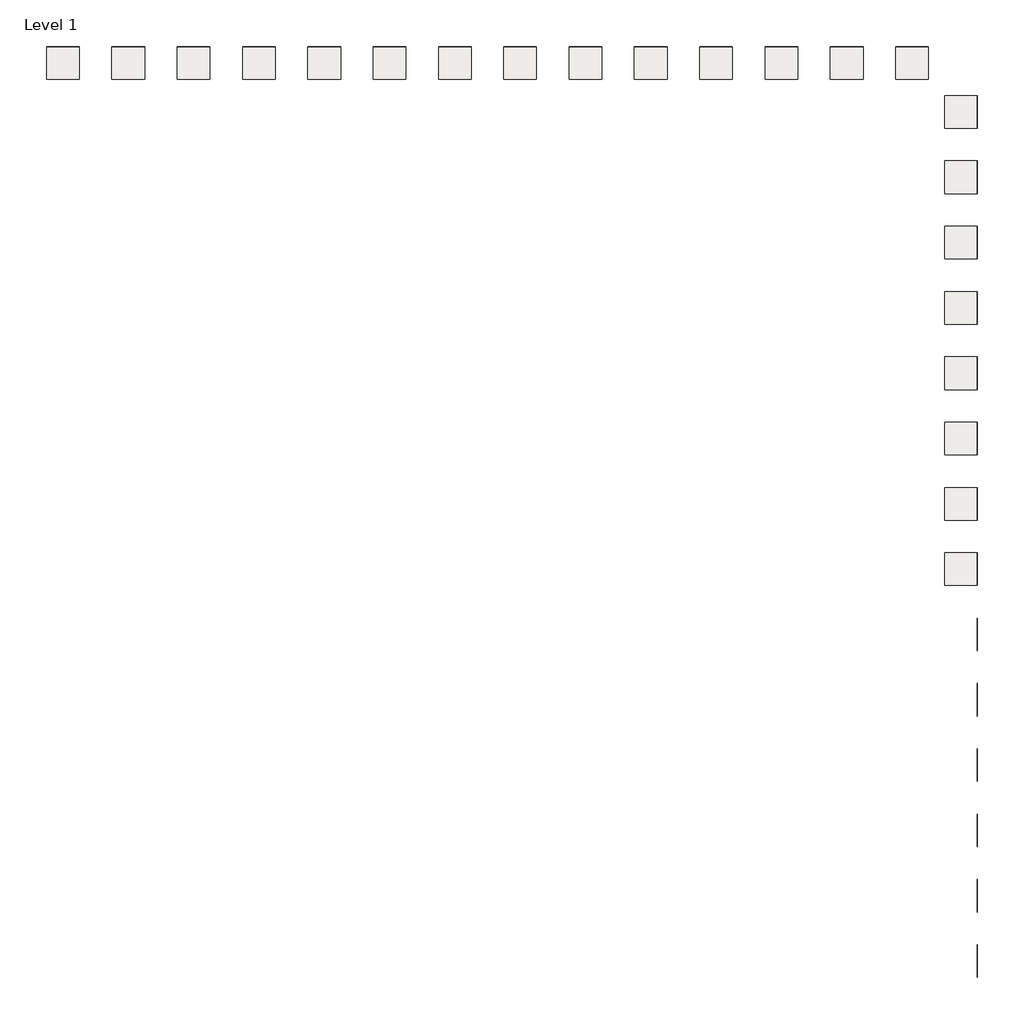
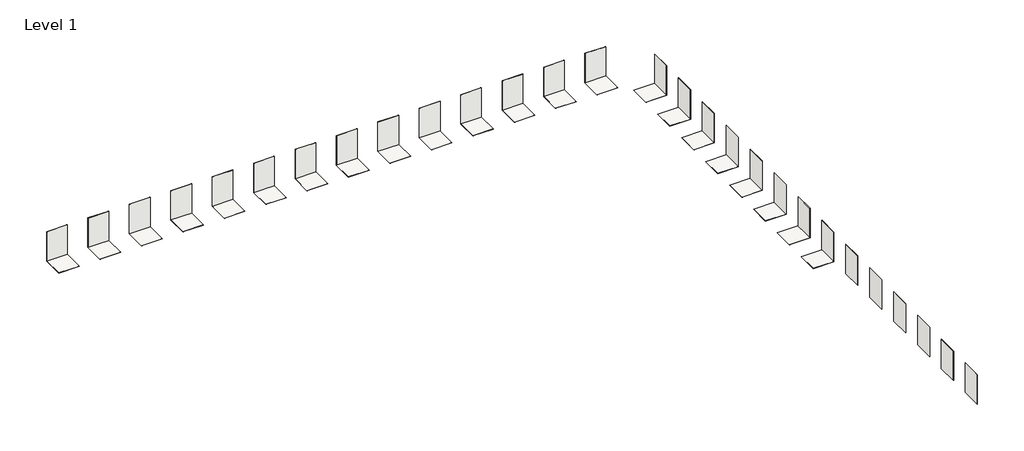
# One storey: 50 coverings.
"""IFC4 building model written with IfcOpenShell, lengths in millimetres."""

from ifc_helpers import new_model, si_unit, frame, origin, origin_with_axes, place, context, project, spatial, polyline, outline, extrude, element, save

model = new_model("IFC4")

# Units and contexts
model_context = context("Model", 3, world=origin())
ifc_project = project(units=[si_unit("LENGTHUNIT", "METRE", prefix="MILLI")], contexts=[model_context])

# Site, building, storey
site = spatial("IfcSite", under=ifc_project)
building = spatial("IfcBuilding", under=site)
storey = spatial("IfcBuildingStorey", under=building, Name="Level 1", Elevation=0.0)

# Coverings
placement = place(None, origin())
element("IfcCovering", 1, at=placement, inside=storey, context=model_context, shape_type="SweptSolid", body=[
    extrude(outline(polyline([(3527.0774266, -4501.9826748), (1527.0774266, -4501.9826748), (1527.0774266, -2501.9826748), (3527.0774266, -2501.9826748), (3527.0774266, -4501.9826748)])), frame((0.0, 0.0, -10.8), z_axis=(0.0, 0.0, 1.0), x_axis=(1.0, 0.0, 0.0)), (0.0, 0.0, 1.0), 10.8),
])
element("IfcCovering", 2, at=placement, inside=storey, context=model_context, shape_type="SweptSolid", body=[
    extrude(outline(polyline([(3516.2774266, -4501.9826748), (3516.2774266, -2501.9826748), (3527.0774266, -2501.9826748), (3527.0774266, -4501.9826748), (3516.2774266, -4501.9826748)])), origin_with_axes(), (0.0, 0.0, 1.0), 3000.0),
])
element("IfcCovering", 3, at=placement, inside=storey, context=model_context, shape_type="SweptSolid", body=[
    extrude(outline(polyline([(3527.0774266, -501.9826748), (1527.0774266, -501.9826748), (1527.0774266, 1498.0173252), (3527.0774266, 1498.0173252), (3527.0774266, -501.9826748)])), frame((0.0, 0.0, -10.8), z_axis=(0.0, 0.0, 1.0), x_axis=(1.0, 0.0, 0.0)), (0.0, 0.0, 1.0), 10.8),
])
element("IfcCovering", 4, at=placement, inside=storey, context=model_context, shape_type="SweptSolid", body=[
    extrude(outline(polyline([(3516.2774266, -501.9826748), (3516.2774266, 1498.0173252), (3527.0774266, 1498.0173252), (3527.0774266, -501.9826748), (3516.2774266, -501.9826748)])), origin_with_axes(), (0.0, 0.0, 1.0), 3000.0),
])
element("IfcCovering", 5, at=placement, inside=storey, context=model_context, shape_type="SweptSolid", body=[
    extrude(outline(polyline([(3527.0774266, 3498.0173252), (1527.0774266, 3498.0173252), (1527.0774266, 5498.0173252), (3527.0774266, 5498.0173252), (3527.0774266, 3498.0173252)])), frame((0.0, 0.0, -10.8), z_axis=(0.0, 0.0, 1.0), x_axis=(1.0, 0.0, 0.0)), (0.0, 0.0, 1.0), 10.8),
])
element("IfcCovering", 6, at=placement, inside=storey, context=model_context, shape_type="SweptSolid", body=[
    extrude(outline(polyline([(3516.2774266, 3498.0173252), (3516.2774266, 5498.0173252), (3527.0774266, 5498.0173252), (3527.0774266, 3498.0173252), (3516.2774266, 3498.0173252)])), origin_with_axes(), (0.0, 0.0, 1.0), 3000.0),
])
element("IfcCovering", 7, at=placement, inside=storey, context=model_context, shape_type="SweptSolid", body=[
    extrude(outline(polyline([(3527.0774266, -8501.9826748), (1527.0774266, -8501.9826748), (1527.0774266, -6501.9826748), (3527.0774266, -6501.9826748), (3527.0774266, -8501.9826748)])), frame((0.0, 0.0, -10.8), z_axis=(0.0, 0.0, 1.0), x_axis=(1.0, 0.0, 0.0)), (0.0, 0.0, 1.0), 10.8),
])
element("IfcCovering", 8, at=placement, inside=storey, context=model_context, shape_type="SweptSolid", body=[
    extrude(outline(polyline([(3516.2774266, -8501.9826748), (3516.2774266, -6501.9826748), (3527.0774266, -6501.9826748), (3527.0774266, -8501.9826748), (3516.2774266, -8501.9826748)])), origin_with_axes(), (0.0, 0.0, 1.0), 3000.0),
])
element("IfcCovering", 9, at=placement, inside=storey, context=model_context, shape_type="SweptSolid", body=[
    extrude(outline(polyline([(3527.0774266, -12501.9826748), (1527.0774266, -12501.9826748), (1527.0774266, -10501.9826748), (3527.0774266, -10501.9826748), (3527.0774266, -12501.9826748)])), frame((0.0, 0.0, -10.8), z_axis=(0.0, 0.0, 1.0), x_axis=(1.0, 0.0, 0.0)), (0.0, 0.0, 1.0), 10.8),
])
element("IfcCovering", 10, at=placement, inside=storey, context=model_context, shape_type="SweptSolid", body=[
    extrude(outline(polyline([(3516.2774266, -12501.9826748), (3516.2774266, -10501.9826748), (3527.0774266, -10501.9826748), (3527.0774266, -12501.9826748), (3516.2774266, -12501.9826748)])), origin_with_axes(), (0.0, 0.0, 1.0), 3000.0),
])
element("IfcCovering", 11, at=placement, inside=storey, context=model_context, shape_type="SweptSolid", body=[
    extrude(outline(polyline([(3527.0774266, -16501.9826748), (1527.0774266, -16501.9826748), (1527.0774266, -14501.9826748), (3527.0774266, -14501.9826748), (3527.0774266, -16501.9826748)])), frame((0.0, 0.0, -10.8), z_axis=(0.0, 0.0, 1.0), x_axis=(1.0, 0.0, 0.0)), (0.0, 0.0, 1.0), 10.8),
])
element("IfcCovering", 12, at=placement, inside=storey, context=model_context, shape_type="SweptSolid", body=[
    extrude(outline(polyline([(3516.2774266, -16501.9826748), (3516.2774266, -14501.9826748), (3527.0774266, -14501.9826748), (3527.0774266, -16501.9826748), (3516.2774266, -16501.9826748)])), origin_with_axes(), (0.0, 0.0, 1.0), 3000.0),
])
element("IfcCovering", 13, at=placement, inside=storey, context=model_context, shape_type="SweptSolid", body=[
    extrude(outline(polyline([(527.0774266, 8498.0173252), (527.0774266, 6498.0173252), (-1472.9225734, 6498.0173252), (-1472.9225734, 8498.0173252), (527.0774266, 8498.0173252)])), frame((0.0, 0.0, -10.8), z_axis=(0.0, 0.0, 1.0), x_axis=(1.0, 0.0, 0.0)), (0.0, 0.0, 1.0), 10.8),
])
element("IfcCovering", 14, at=placement, inside=storey, context=model_context, shape_type="SweptSolid", body=[
    extrude(outline(polyline([(527.0774266, 8487.2173252), (-1472.9225734, 8487.2173252), (-1472.9225734, 8498.0173252), (527.0774266, 8498.0173252), (527.0774266, 8487.2173252)])), origin_with_axes(), (0.0, 0.0, 1.0), 3000.0),
])
element("IfcCovering", 15, at=placement, inside=storey, context=model_context, shape_type="SweptSolid", body=[
    extrude(outline(polyline([(-3472.9225734, 8487.2173252), (-5472.9225734, 8487.2173252), (-5472.9225734, 8498.0173252), (-3472.9225734, 8498.0173252), (-3472.9225734, 8487.2173252)])), origin_with_axes(), (0.0, 0.0, 1.0), 3000.0),
])
element("IfcCovering", 16, at=placement, inside=storey, context=model_context, shape_type="SweptSolid", body=[
    extrude(outline(polyline([(-7472.9225734, 8487.2173252), (-9472.9225734, 8487.2173252), (-9472.9225734, 8498.0173252), (-7472.9225734, 8498.0173252), (-7472.9225734, 8487.2173252)])), origin_with_axes(), (0.0, 0.0, 1.0), 3000.0),
])
element("IfcCovering", 17, at=placement, inside=storey, context=model_context, shape_type="SweptSolid", body=[
    extrude(outline(polyline([(-11472.9225734, 8498.0173252), (-11472.9225734, 6498.0173252), (-13472.9225734, 6498.0173252), (-13472.9225734, 8498.0173252), (-11472.9225734, 8498.0173252)])), frame((0.0, 0.0, -10.8), z_axis=(0.0, 0.0, 1.0), x_axis=(1.0, 0.0, 0.0)), (0.0, 0.0, 1.0), 10.8),
])
element("IfcCovering", 18, at=placement, inside=storey, context=model_context, shape_type="SweptSolid", body=[
    extrude(outline(polyline([(-11472.9225734, 8487.2173252), (-13472.9225734, 8487.2173252), (-13472.9225734, 8498.0173252), (-11472.9225734, 8498.0173252), (-11472.9225734, 8487.2173252)])), origin_with_axes(), (0.0, 0.0, 1.0), 3000.0),
])
element("IfcCovering", 19, at=placement, inside=storey, context=model_context, shape_type="SweptSolid", body=[
    extrude(outline(polyline([(-15472.9225734, 8498.0173252), (-15472.9225734, 6498.0173252), (-17472.9225734, 6498.0173252), (-17472.9225734, 8498.0173252), (-15472.9225734, 8498.0173252)])), frame((0.0, 0.0, -10.8), z_axis=(0.0, 0.0, 1.0), x_axis=(1.0, 0.0, 0.0)), (0.0, 0.0, 1.0), 10.8),
])
element("IfcCovering", 20, at=placement, inside=storey, context=model_context, shape_type="SweptSolid", body=[
    extrude(outline(polyline([(-15472.9225734, 8487.2173252), (-17472.9225734, 8487.2173252), (-17472.9225734, 8498.0173252), (-15472.9225734, 8498.0173252), (-15472.9225734, 8487.2173252)])), origin_with_axes(), (0.0, 0.0, 1.0), 3000.0),
])
element("IfcCovering", 21, at=placement, inside=storey, context=model_context, shape_type="SweptSolid", body=[
    extrude(outline(polyline([(-19472.9225734, 8498.0173252), (-19472.9225734, 6498.0173252), (-21472.9225734, 6498.0173252), (-21472.9225734, 8498.0173252), (-19472.9225734, 8498.0173252)])), frame((0.0, 0.0, -10.8), z_axis=(0.0, 0.0, 1.0), x_axis=(1.0, 0.0, 0.0)), (0.0, 0.0, 1.0), 10.8),
])
element("IfcCovering", 22, at=placement, inside=storey, context=model_context, shape_type="SweptSolid", body=[
    extrude(outline(polyline([(-19472.9225734, 8487.2173252), (-21472.9225734, 8487.2173252), (-21472.9225734, 8498.0173252), (-19472.9225734, 8498.0173252), (-19472.9225734, 8487.2173252)])), origin_with_axes(), (0.0, 0.0, 1.0), 3000.0),
])
element("IfcCovering", 23, at=placement, inside=storey, context=model_context, shape_type="SweptSolid", body=[
    extrude(outline(polyline([(-7472.9225734, 8498.0173252), (-7472.9225734, 6498.0173252), (-9472.9225734, 6498.0173252), (-9472.9225734, 8498.0173252), (-7472.9225734, 8498.0173252)])), frame((0.0, 0.0, -10.8), z_axis=(0.0, 0.0, 1.0), x_axis=(1.0, 0.0, 0.0)), (0.0, 0.0, 1.0), 10.8),
])
element("IfcCovering", 24, at=placement, inside=storey, context=model_context, shape_type="SweptSolid", body=[
    extrude(outline(polyline([(-3472.9225734, 8498.0173252), (-3472.9225734, 6498.0173252), (-5472.9225734, 6498.0173252), (-5472.9225734, 8498.0173252), (-3472.9225734, 8498.0173252)])), frame((0.0, 0.0, -10.8), z_axis=(0.0, 0.0, 1.0), x_axis=(1.0, 0.0, 0.0)), (0.0, 0.0, 1.0), 10.8),
])
element("IfcCovering", 25, at=placement, inside=storey, context=model_context, shape_type="SweptSolid", body=[
    extrude(outline(polyline([(-23472.9225734, 8498.0173252), (-23472.9225734, 6498.0173252), (-25472.9225734, 6498.0173252), (-25472.9225734, 8498.0173252), (-23472.9225734, 8498.0173252)])), frame((0.0, 0.0, -10.8), z_axis=(0.0, 0.0, 1.0), x_axis=(1.0, 0.0, 0.0)), (0.0, 0.0, 1.0), 10.8),
])
element("IfcCovering", 26, at=placement, inside=storey, context=model_context, shape_type="SweptSolid", body=[
    extrude(outline(polyline([(-23472.9225734, 8487.2173252), (-25472.9225734, 8487.2173252), (-25472.9225734, 8498.0173252), (-23472.9225734, 8498.0173252), (-23472.9225734, 8487.2173252)])), origin_with_axes(), (0.0, 0.0, 1.0), 3000.0),
])
element("IfcCovering", 27, at=placement, inside=storey, context=model_context, shape_type="SweptSolid", body=[
    extrude(outline(polyline([(-27472.9225734, 8498.0173252), (-27472.9225734, 6498.0173252), (-29472.9225734, 6498.0173252), (-29472.9225734, 8498.0173252), (-27472.9225734, 8498.0173252)])), frame((0.0, 0.0, -10.8), z_axis=(0.0, 0.0, 1.0), x_axis=(1.0, 0.0, 0.0)), (0.0, 0.0, 1.0), 10.8),
])
element("IfcCovering", 28, at=placement, inside=storey, context=model_context, shape_type="SweptSolid", body=[
    extrude(outline(polyline([(-27472.9225734, 8487.2173252), (-29472.9225734, 8487.2173252), (-29472.9225734, 8498.0173252), (-27472.9225734, 8498.0173252), (-27472.9225734, 8487.2173252)])), origin_with_axes(), (0.0, 0.0, 1.0), 3000.0),
])
element("IfcCovering", 29, at=placement, inside=storey, context=model_context, shape_type="SweptSolid", body=[
    extrude(outline(polyline([(3527.0774266, -20501.9826748), (1527.0774266, -20501.9826748), (1527.0774266, -18501.9826748), (3527.0774266, -18501.9826748), (3527.0774266, -20501.9826748)])), frame((0.0, 0.0, -10.8), z_axis=(0.0, 0.0, 1.0), x_axis=(1.0, 0.0, 0.0)), (0.0, 0.0, 1.0), 10.8),
])
element("IfcCovering", 30, at=placement, inside=storey, context=model_context, shape_type="SweptSolid", body=[
    extrude(outline(polyline([(3516.2774266, -20501.9826748), (3516.2774266, -18501.9826748), (3527.0774266, -18501.9826748), (3527.0774266, -20501.9826748), (3516.2774266, -20501.9826748)])), origin_with_axes(), (0.0, 0.0, 1.0), 3000.0),
])
element("IfcCovering", 31, at=placement, inside=storey, context=model_context, shape_type="SweptSolid", body=[
    extrude(outline(polyline([(-31472.9225734, 8498.0173252), (-31472.9225734, 6498.0173252), (-33472.9225734, 6498.0173252), (-33472.9225734, 8498.0173252), (-31472.9225734, 8498.0173252)])), frame((0.0, 0.0, -10.8), z_axis=(0.0, 0.0, 1.0), x_axis=(1.0, 0.0, 0.0)), (0.0, 0.0, 1.0), 10.8),
])
element("IfcCovering", 32, at=placement, inside=storey, context=model_context, shape_type="SweptSolid", body=[
    extrude(outline(polyline([(-31472.9225734, 8487.2173252), (-33472.9225734, 8487.2173252), (-33472.9225734, 8498.0173252), (-31472.9225734, 8498.0173252), (-31472.9225734, 8487.2173252)])), origin_with_axes(), (0.0, 0.0, 1.0), 3000.0),
])
element("IfcCovering", 33, at=placement, inside=storey, context=model_context, shape_type="SweptSolid", body=[
    extrude(outline(polyline([(-35472.9225734, 8498.0173252), (-35472.9225734, 6498.0173252), (-37472.9225734, 6498.0173252), (-37472.9225734, 8498.0173252), (-35472.9225734, 8498.0173252)])), frame((0.0, 0.0, -10.8), z_axis=(0.0, 0.0, 1.0), x_axis=(1.0, 0.0, 0.0)), (0.0, 0.0, 1.0), 10.8),
])
element("IfcCovering", 34, at=placement, inside=storey, context=model_context, shape_type="SweptSolid", body=[
    extrude(outline(polyline([(-35472.9225734, 8487.2173252), (-37472.9225734, 8487.2173252), (-37472.9225734, 8498.0173252), (-35472.9225734, 8498.0173252), (-35472.9225734, 8487.2173252)])), origin_with_axes(), (0.0, 0.0, 1.0), 3000.0),
])
element("IfcCovering", 35, at=placement, inside=storey, context=model_context, shape_type="SweptSolid", body=[
    extrude(outline(polyline([(-39472.9225734, 8498.0173252), (-39472.9225734, 6498.0173252), (-41472.9225734, 6498.0173252), (-41472.9225734, 8498.0173252), (-39472.9225734, 8498.0173252)])), frame((0.0, 0.0, -10.8), z_axis=(0.0, 0.0, 1.0), x_axis=(1.0, 0.0, 0.0)), (0.0, 0.0, 1.0), 10.8),
])
element("IfcCovering", 36, at=placement, inside=storey, context=model_context, shape_type="SweptSolid", body=[
    extrude(outline(polyline([(-39472.9225734, 8487.2173252), (-41472.9225734, 8487.2173252), (-41472.9225734, 8498.0173252), (-39472.9225734, 8498.0173252), (-39472.9225734, 8487.2173252)])), origin_with_axes(), (0.0, 0.0, 1.0), 3000.0),
])
element("IfcCovering", 37, at=placement, inside=storey, context=model_context, shape_type="SweptSolid", body=[
    extrude(outline(polyline([(-43472.9225734, 8498.0173252), (-43472.9225734, 6498.0173252), (-45472.9225734, 6498.0173252), (-45472.9225734, 8498.0173252), (-43472.9225734, 8498.0173252)])), frame((0.0, 0.0, -10.8), z_axis=(0.0, 0.0, 1.0), x_axis=(1.0, 0.0, 0.0)), (0.0, 0.0, 1.0), 10.8),
])
element("IfcCovering", 38, at=placement, inside=storey, context=model_context, shape_type="SweptSolid", body=[
    extrude(outline(polyline([(-43472.9225734, 8487.2173252), (-45472.9225734, 8487.2173252), (-45472.9225734, 8498.0173252), (-43472.9225734, 8498.0173252), (-43472.9225734, 8487.2173252)])), origin_with_axes(), (0.0, 0.0, 1.0), 3000.0),
])
element("IfcCovering", 39, at=placement, inside=storey, context=model_context, shape_type="SweptSolid", body=[
    extrude(outline(polyline([(-47472.9225734, 8498.0173252), (-47472.9225734, 6498.0173252), (-49472.9225734, 6498.0173252), (-49472.9225734, 8498.0173252), (-47472.9225734, 8498.0173252)])), frame((0.0, 0.0, -10.8), z_axis=(0.0, 0.0, 1.0), x_axis=(1.0, 0.0, 0.0)), (0.0, 0.0, 1.0), 10.8),
])
element("IfcCovering", 40, at=placement, inside=storey, context=model_context, shape_type="SweptSolid", body=[
    extrude(outline(polyline([(-47472.9225734, 8487.2173252), (-49472.9225734, 8487.2173252), (-49472.9225734, 8498.0173252), (-47472.9225734, 8498.0173252), (-47472.9225734, 8487.2173252)])), origin_with_axes(), (0.0, 0.0, 1.0), 3000.0),
])
element("IfcCovering", 41, at=placement, inside=storey, context=model_context, shape_type="SweptSolid", body=[
    extrude(outline(polyline([(-51472.9225734, 8498.0173252), (-51472.9225734, 6498.0173252), (-53472.9225734, 6498.0173252), (-53472.9225734, 8498.0173252), (-51472.9225734, 8498.0173252)])), frame((0.0, 0.0, -10.8), z_axis=(0.0, 0.0, 1.0), x_axis=(1.0, 0.0, 0.0)), (0.0, 0.0, 1.0), 10.8),
])
element("IfcCovering", 42, at=placement, inside=storey, context=model_context, shape_type="SweptSolid", body=[
    extrude(outline(polyline([(-51472.9225734, 8487.2173252), (-53472.9225734, 8487.2173252), (-53472.9225734, 8498.0173252), (-51472.9225734, 8498.0173252), (-51472.9225734, 8487.2173252)])), origin_with_axes(), (0.0, 0.0, 1.0), 3000.0),
])
element("IfcCovering", 43, at=placement, inside=storey, context=model_context, shape_type="SweptSolid", body=[
    extrude(outline(polyline([(3527.0774266, -24501.9826748), (1527.0774266, -24501.9826748), (1527.0774266, -22501.9826748), (3527.0774266, -22501.9826748), (3527.0774266, -24501.9826748)])), frame((0.0, 0.0, -11.0), z_axis=(0.0, 0.0, 1.0), x_axis=(1.0, 0.0, 0.0)), (0.0, 0.0, 1.0), 11.0),
])
element("IfcCovering", 44, at=placement, inside=storey, context=model_context, shape_type="SweptSolid", body=[
    extrude(outline(polyline([(3516.0774266, -24501.9826748), (3516.0774266, -22501.9826748), (3527.0774266, -22501.9826748), (3527.0774266, -24501.9826748), (3516.0774266, -24501.9826748)])), origin_with_axes(), (0.0, 0.0, 1.0), 3000.0),
])
element("IfcCovering", 45, at=placement, inside=storey, context=model_context, shape_type="SweptSolid", body=[
    extrude(outline(polyline([(3516.0774266, -28501.9826748), (3516.0774266, -26501.9826748), (3527.0774266, -26501.9826748), (3527.0774266, -28501.9826748), (3516.0774266, -28501.9826748)])), origin_with_axes(), (0.0, 0.0, 1.0), 3000.0),
])
element("IfcCovering", 46, at=placement, inside=storey, context=model_context, shape_type="SweptSolid", body=[
    extrude(outline(polyline([(3516.0774266, -32501.9826748), (3516.0774266, -30501.9826748), (3527.0774266, -30501.9826748), (3527.0774266, -32501.9826748), (3516.0774266, -32501.9826748)])), origin_with_axes(), (0.0, 0.0, 1.0), 3000.0),
])
element("IfcCovering", 47, at=placement, inside=storey, context=model_context, shape_type="SweptSolid", body=[
    extrude(outline(polyline([(3516.0774266, -36501.9826748), (3516.0774266, -34501.9826748), (3527.0774266, -34501.9826748), (3527.0774266, -36501.9826748), (3516.0774266, -36501.9826748)])), origin_with_axes(), (0.0, 0.0, 1.0), 3000.0),
])
element("IfcCovering", 48, at=placement, inside=storey, context=model_context, shape_type="SweptSolid", body=[
    extrude(outline(polyline([(3514.5774266, -40501.9826748), (3514.5774266, -38501.9826748), (3527.0774266, -38501.9826748), (3527.0774266, -40501.9826748), (3514.5774266, -40501.9826748)])), origin_with_axes(), (0.0, 0.0, 1.0), 3000.0),
])
element("IfcCovering", 49, at=placement, inside=storey, context=model_context, shape_type="SweptSolid", body=[
    extrude(outline(polyline([(3514.5774266, -44501.9826748), (3514.5774266, -42501.9826748), (3527.0774266, -42501.9826748), (3527.0774266, -44501.9826748), (3514.5774266, -44501.9826748)])), origin_with_axes(), (0.0, 0.0, 1.0), 3000.0),
])
element("IfcCovering", 50, at=placement, inside=storey, context=model_context, shape_type="SweptSolid", body=[
    extrude(outline(polyline([(3514.5774266, -48501.9826748), (3514.5774266, -46501.9826748), (3527.0774266, -46501.9826748), (3527.0774266, -48501.9826748), (3514.5774266, -48501.9826748)])), origin_with_axes(), (0.0, 0.0, 1.0), 3000.0),
])

save(model, "model.ifc")
